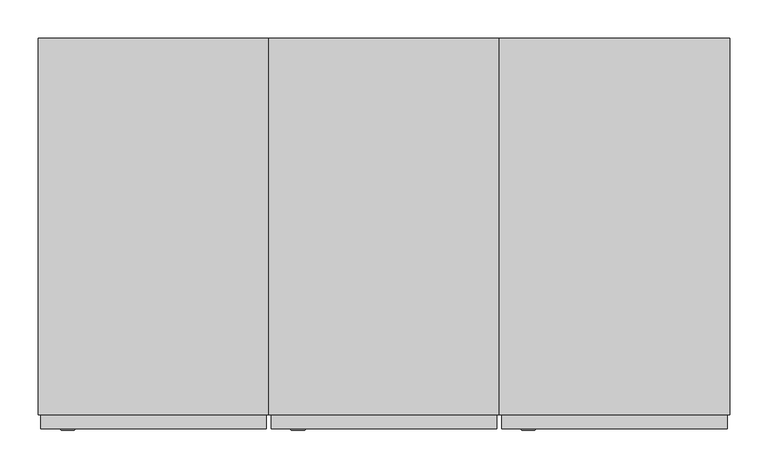
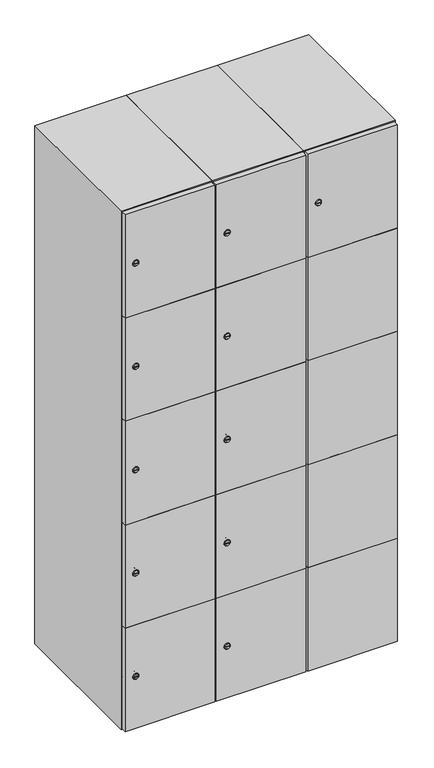
"""IFC4 building model written with IfcOpenShell, lengths in millimetres: furniture geometry."""

from ifc_helpers import new_model, si_unit, point, frame, frame_2d, origin, place, context, project, spatial, polyline, circle_curve, trimmed, segment, composite_curve, outline, extrude, faceted_brep, source, transform, mapped, element, save
from ifc_brep_helpers import plane_surface, revolved_surface, advanced_brep


def furniture_e9e4de97(model_context):
    return source(origin(), model_context, "Body", "SolidModel", [
        advanced_brep(
        [(446.5, -265.2, 1652.6), (429.5, -265.2, 1652.6), (433.0, -265.2, 1651.35), (433.0, -265.2, 1653.85), (443.0, -265.2, 1653.85), (443.0, -265.2, 1651.35), (448.5, -263.0, 1652.6), (427.5, -263.0, 1652.6), (433.0, -263.0, 1653.85), (433.0, -263.0, 1651.35), (443.0, -263.0, 1651.35), (443.0, -263.0, 1653.85)],
        [
            (0, 1, circle_curve(frame((438.0, -265.2, 1652.6), z_axis=(0.0, -1.0, 0.0), x_axis=(1.0, 0.0, 0.0)), 8.5)),
            (1, 0, circle_curve(frame((438.0, -265.2, 1652.6), z_axis=(0.0, -1.0, 0.0), x_axis=(-1.0, 0.0, 0.0)), 8.5)),
            (2, 3),
            (3, 4),
            (4, 5),
            (5, 2),
            (6, 7, circle_curve(frame((438.0, -263.0, 1652.6), z_axis=(0.0, 1.0, 0.0), x_axis=(-1.0, 0.0, 0.0)), 10.5)),
            (7, 6, circle_curve(frame((438.0, -263.0, 1652.6), z_axis=(0.0, 1.0, 0.0), x_axis=(1.0, 0.0, 0.0)), 10.5)),
            (8, 9),
            (9, 10),
            (10, 11),
            (11, 8),
            (0, 6),
            (7, 1),
            (8, 3),
            (2, 9),
            (11, 4),
            (10, 5),
        ],
        [
            plane_surface(frame((438.0, -265.2, 1652.6), z_axis=(0.0, -1.0, 0.0), x_axis=(0.0, 0.0, 1.0))),
            plane_surface(frame((438.0, -263.0, 1652.6), z_axis=(0.0, 1.0, 0.0), x_axis=(0.0, 0.0, 1.0))),
            revolved_surface(polyline([(446.5, -265.2, 1652.6), (448.5, -263.0, 1652.6)]), (438.0, -274.55, 1652.6), (0.0, 1.0, 0.0)),
            revolved_surface(polyline([(429.5, -265.2, 1652.6), (427.5, -263.0, 1652.6)]), (438.0, -274.55, 1652.6), (0.0, 1.0, 0.0)),
            plane_surface(frame((433.0, -263.0, 1651.35), z_axis=(1.0, 0.0, 0.0), x_axis=(0.0, -1.0, 0.0))),
            plane_surface(frame((433.0, -263.0, 1653.85), z_axis=(0.0, 0.0, -1.0), x_axis=(0.0, -1.0, 0.0))),
            plane_surface(frame((443.0, -263.0, 1653.85), z_axis=(-1.0, 0.0, 0.0), x_axis=(0.0, -1.0, 0.0))),
            plane_surface(frame((443.0, -263.0, 1651.35), z_axis=(0.0, 0.0, 1.0), x_axis=(0.0, -1.0, 0.0))),
        ],
        [
            (0, [[1, 2], [3, 4, 5, 6]]),
            (1, [[7, 8], [9, 10, 11, 12]]),
            (2, [[-1, 13, -8, 14]]),
            (3, [[-2, -14, -7, -13]]),
            (4, [[15, -3, 16, -9]]),
            (5, [[-15, -12, 17, -4]]),
            (6, [[-17, -11, 18, -5]]),
            (7, [[-16, -6, -18, -10]]),
        ],
    ),
        extrude(outline(polyline([(697.0, -245.0), (697.0, -263.0), (403.0, -263.0), (403.0, -245.0), (697.0, -245.0)])), frame((0.0, 0.0, 755.1), z_axis=(0.0, 0.0, 1.0), x_axis=(1.0, 0.0, 0.0)), (0.0, 0.0, 1.0), 359.8),
        extrude(outline(polyline([(697.0, -245.0), (697.0, -263.0), (403.0, -263.0), (403.0, -245.0), (697.0, -245.0)])), frame((0.0, 0.0, 396.3), z_axis=(0.0, 0.0, 1.0), x_axis=(1.0, 0.0, 0.0)), (0.0, 0.0, 1.0), 359.8),
        extrude(outline(polyline([(697.0, -245.0), (697.0, -263.0), (403.0, -263.0), (403.0, -245.0), (697.0, -245.0)])), frame((0.0, 0.0, 1113.9), z_axis=(0.0, 0.0, 1.0), x_axis=(1.0, 0.0, 0.0)), (0.0, 0.0, 1.0), 358.8),
        extrude(outline(polyline([(403.0, -263.0), (403.0, -245.0), (697.0, -245.0), (697.0, -263.0), (403.0, -263.0)])), frame((0.0, 0.0, 1473.7), z_axis=(0.0, 0.0, 1.0), x_axis=(1.0, 0.0, 0.0)), (0.0, 0.0, 1.0), 358.3),
        extrude(outline(polyline([(697.0, -245.0), (697.0, -263.0), (403.0, -263.0), (403.0, -245.0), (697.0, -245.0)])), frame((0.0, 0.0, 38.0), z_axis=(0.0, 0.0, 1.0), x_axis=(1.0, 0.0, 0.0)), (0.0, 0.0, 1.0), 359.3),
        extrude(outline(polyline([(679.6, 242.0), (679.6, -227.0), (420.4, -227.0), (420.4, 242.0), (679.6, 242.0)])), frame((0.0, 0.0, 1446.68), z_axis=(0.0, 0.0, 1.0), x_axis=(1.0, 0.0, 0.0)), (0.0, 0.0, 1.0), 20.4),
        extrude(outline(polyline([(679.6, 242.0), (679.6, -227.0), (420.4, -227.0), (420.4, 242.0), (679.6, 242.0)])), frame((0.0, 0.0, 1098.76), z_axis=(0.0, 0.0, 1.0), x_axis=(1.0, 0.0, 0.0)), (0.0, 0.0, 1.0), 20.4),
        extrude(outline(polyline([(679.6, 242.0), (679.6, -227.0), (420.4, -227.0), (420.4, 242.0), (679.6, 242.0)])), frame((0.0, 0.0, 750.84), z_axis=(0.0, 0.0, 1.0), x_axis=(1.0, 0.0, 0.0)), (0.0, 0.0, 1.0), 20.4),
        extrude(outline(polyline([(420.4, 242.0), (679.6, 242.0), (679.6, -227.0), (420.4, -227.0), (420.4, 242.0)])), frame((0.0, 0.0, 402.92), z_axis=(0.0, 0.0, 1.0), x_axis=(1.0, 0.0, 0.0)), (0.0, 0.0, 1.0), 20.4),
        faceted_brep([(700.0, -245.0, 35.0), (700.0, -245.0, 1835.0), (400.0, -245.0, 1835.0), (400.0, -245.0, 35.0), (679.6, -245.0, 1804.8), (679.6, -245.0, 65.2), (420.4, -245.0, 65.2), (420.4, -245.0, 1804.8), (700.0, 245.0, 35.0), (400.0, 245.0, 35.0), (700.0, 245.0, 1835.0), (400.0, 245.0, 1835.0), (679.6, 242.0, 1804.8), (679.6, 242.0, 65.2), (400.0, 245.0, 1804.8), (420.4, 242.0, 1804.8), (420.4, 242.0, 65.2)], [[[0, 1, 2, 3], [4, 5, 6, 7]], [[8, 0, 3, 9]], [[1, 0, 8, 10]], [[1, 10, 11, 2]], [[4, 12, 13, 5]], [[9, 3, 2, 11, 14]], [[10, 8, 9, 14, 11]], [[12, 15, 16, 13]], [[15, 7, 6, 16]], [[4, 7, 15, 12]], [[6, 5, 13, 16]]]),
        extrude(outline(composite_curve([segment(trimmed(circle_curve(frame_2d((217.4, 111.2010534)), 7.0), [point((224.4, 111.2010534))], [point((210.4, 111.2010534))], False, "CARTESIAN"), True, "CONTINUOUS"), segment(polyline([(210.4, 111.2010534), (210.4, 139.2010534)]), True, "CONTINUOUS"), segment(trimmed(circle_curve(frame_2d((217.4, 139.2010534)), 7.0), [point((210.4, 139.2010534))], [point((224.4, 139.2010534))], False, "CARTESIAN"), True, "CONTINUOUS"), segment(polyline([(224.4, 139.2010534), (224.4, 111.2010534)]), True, "CONTINUOUS")], self_intersect=False)), frame((0.0, -245.0, 0.0), z_axis=(0.0, 1.0, 0.0), x_axis=(0.0, 0.0, 1.0)), (0.0, 0.0, 1.0), 2.0),
        advanced_brep(
        [(146.5, -265.2, 217.4), (129.5, -265.2, 217.4), (133.0, -265.2, 216.15), (133.0, -265.2, 218.65), (143.0, -265.2, 218.65), (143.0, -265.2, 216.15), (148.5, -263.0, 217.4), (127.5, -263.0, 217.4), (133.0, -263.0, 218.65), (133.0, -263.0, 216.15), (143.0, -263.0, 216.15), (143.0, -263.0, 218.65)],
        [
            (0, 1, circle_curve(frame((138.0, -265.2, 217.4), z_axis=(0.0, -1.0, 0.0), x_axis=(1.0, 0.0, 0.0)), 8.5)),
            (1, 0, circle_curve(frame((138.0, -265.2, 217.4), z_axis=(0.0, -1.0, 0.0), x_axis=(-1.0, 0.0, 0.0)), 8.5)),
            (2, 3),
            (3, 4),
            (4, 5),
            (5, 2),
            (6, 7, circle_curve(frame((138.0, -263.0, 217.4), z_axis=(0.0, 1.0, 0.0), x_axis=(-1.0, 0.0, 0.0)), 10.5)),
            (7, 6, circle_curve(frame((138.0, -263.0, 217.4), z_axis=(0.0, 1.0, 0.0), x_axis=(1.0, 0.0, 0.0)), 10.5)),
            (8, 9),
            (9, 10),
            (10, 11),
            (11, 8),
            (0, 6),
            (7, 1),
            (8, 3),
            (2, 9),
            (11, 4),
            (10, 5),
        ],
        [
            plane_surface(frame((138.0, -265.2, 217.4), z_axis=(0.0, -1.0, 0.0), x_axis=(0.0, 0.0, 1.0))),
            plane_surface(frame((138.0, -263.0, 217.4), z_axis=(0.0, 1.0, 0.0), x_axis=(0.0, 0.0, 1.0))),
            revolved_surface(polyline([(146.5, -265.2, 217.4), (148.5, -263.0, 217.4)]), (138.0, -274.55, 217.4), (0.0, 1.0, 0.0)),
            revolved_surface(polyline([(129.5, -265.2, 217.4), (127.5, -263.0, 217.4)]), (138.0, -274.55, 217.4), (0.0, 1.0, 0.0)),
            plane_surface(frame((133.0, -263.0, 216.15), z_axis=(1.0, 0.0, 0.0), x_axis=(0.0, -1.0, 0.0))),
            plane_surface(frame((133.0, -263.0, 218.65), z_axis=(0.0, 0.0, -1.0), x_axis=(0.0, -1.0, 0.0))),
            plane_surface(frame((143.0, -263.0, 218.65), z_axis=(-1.0, 0.0, 0.0), x_axis=(0.0, -1.0, 0.0))),
            plane_surface(frame((143.0, -263.0, 216.15), z_axis=(0.0, 0.0, 1.0), x_axis=(0.0, -1.0, 0.0))),
        ],
        [
            (0, [[1, 2], [3, 4, 5, 6]]),
            (1, [[7, 8], [9, 10, 11, 12]]),
            (2, [[-1, 13, -8, 14]]),
            (3, [[-2, -14, -7, -13]]),
            (4, [[15, -3, 16, -9]]),
            (5, [[-15, -12, 17, -4]]),
            (6, [[-17, -11, 18, -5]]),
            (7, [[-16, -6, -18, -10]]),
        ],
    ),
        extrude(outline(composite_curve([segment(trimmed(circle_curve(frame_2d((576.2, 111.2010534)), 7.0), [point((583.2, 111.2010534))], [point((569.2, 111.2010534))], False, "CARTESIAN"), True, "CONTINUOUS"), segment(polyline([(569.2, 111.2010534), (569.2, 139.2010534)]), True, "CONTINUOUS"), segment(trimmed(circle_curve(frame_2d((576.2, 139.2010534)), 7.0), [point((569.2, 139.2010534))], [point((583.2, 139.2010534))], False, "CARTESIAN"), True, "CONTINUOUS"), segment(polyline([(583.2, 139.2010534), (583.2, 111.2010534)]), True, "CONTINUOUS")], self_intersect=False)), frame((0.0, -245.0, 0.0), z_axis=(0.0, 1.0, 0.0), x_axis=(0.0, 0.0, 1.0)), (0.0, 0.0, 1.0), 2.0),
        advanced_brep(
        [(146.5, -265.2, 576.2), (129.5, -265.2, 576.2), (133.0, -265.2, 574.95), (133.0, -265.2, 577.45), (143.0, -265.2, 577.45), (143.0, -265.2, 574.95), (148.5, -263.0, 576.2), (127.5, -263.0, 576.2), (133.0, -263.0, 577.45), (133.0, -263.0, 574.95), (143.0, -263.0, 574.95), (143.0, -263.0, 577.45)],
        [
            (0, 1, circle_curve(frame((138.0, -265.2, 576.2), z_axis=(0.0, -1.0, 0.0), x_axis=(1.0, 0.0, 0.0)), 8.5)),
            (1, 0, circle_curve(frame((138.0, -265.2, 576.2), z_axis=(0.0, -1.0, 0.0), x_axis=(-1.0, 0.0, 0.0)), 8.5)),
            (2, 3),
            (3, 4),
            (4, 5),
            (5, 2),
            (6, 7, circle_curve(frame((138.0, -263.0, 576.2), z_axis=(0.0, 1.0, 0.0), x_axis=(-1.0, 0.0, 0.0)), 10.5)),
            (7, 6, circle_curve(frame((138.0, -263.0, 576.2), z_axis=(0.0, 1.0, 0.0), x_axis=(1.0, 0.0, 0.0)), 10.5)),
            (8, 9),
            (9, 10),
            (10, 11),
            (11, 8),
            (0, 6),
            (7, 1),
            (8, 3),
            (2, 9),
            (11, 4),
            (10, 5),
        ],
        [
            plane_surface(frame((138.0, -265.2, 576.2), z_axis=(0.0, -1.0, 0.0), x_axis=(0.0, 0.0, 1.0))),
            plane_surface(frame((138.0, -263.0, 576.2), z_axis=(0.0, 1.0, 0.0), x_axis=(0.0, 0.0, 1.0))),
            revolved_surface(polyline([(146.5, -265.2, 576.2), (148.5, -263.0, 576.2)]), (138.0, -274.55, 576.2), (0.0, 1.0, 0.0)),
            revolved_surface(polyline([(129.5, -265.2, 576.2), (127.5, -263.0, 576.2)]), (138.0, -274.55, 576.2), (0.0, 1.0, 0.0)),
            plane_surface(frame((133.0, -263.0, 574.95), z_axis=(1.0, 0.0, 0.0), x_axis=(0.0, -1.0, 0.0))),
            plane_surface(frame((133.0, -263.0, 577.45), z_axis=(0.0, 0.0, -1.0), x_axis=(0.0, -1.0, 0.0))),
            plane_surface(frame((143.0, -263.0, 577.45), z_axis=(-1.0, 0.0, 0.0), x_axis=(0.0, -1.0, 0.0))),
            plane_surface(frame((143.0, -263.0, 574.95), z_axis=(0.0, 0.0, 1.0), x_axis=(0.0, -1.0, 0.0))),
        ],
        [
            (0, [[1, 2], [3, 4, 5, 6]]),
            (1, [[7, 8], [9, 10, 11, 12]]),
            (2, [[-1, 13, -8, 14]]),
            (3, [[-2, -14, -7, -13]]),
            (4, [[15, -3, 16, -9]]),
            (5, [[-15, -12, 17, -4]]),
            (6, [[-17, -11, 18, -5]]),
            (7, [[-16, -6, -18, -10]]),
        ],
    ),
        extrude(outline(composite_curve([segment(trimmed(circle_curve(frame_2d((935.0, 111.2010534)), 7.0), [point((942.0, 111.2010534))], [point((928.0, 111.2010534))], False, "CARTESIAN"), True, "CONTINUOUS"), segment(polyline([(928.0, 111.2010534), (928.0, 139.2010534)]), True, "CONTINUOUS"), segment(trimmed(circle_curve(frame_2d((935.0, 139.2010534)), 7.0), [point((928.0, 139.2010534))], [point((942.0, 139.2010534))], False, "CARTESIAN"), True, "CONTINUOUS"), segment(polyline([(942.0, 139.2010534), (942.0, 111.2010534)]), True, "CONTINUOUS")], self_intersect=False)), frame((0.0, -245.0, 0.0), z_axis=(0.0, 1.0, 0.0), x_axis=(0.0, 0.0, 1.0)), (0.0, 0.0, 1.0), 2.0),
        advanced_brep(
        [(146.5, -265.2, 935.0), (129.5, -265.2, 935.0), (133.0, -265.2, 933.75), (133.0, -265.2, 936.25), (143.0, -265.2, 936.25), (143.0, -265.2, 933.75), (148.5, -263.0, 935.0), (127.5, -263.0, 935.0), (133.0, -263.0, 936.25), (133.0, -263.0, 933.75), (143.0, -263.0, 933.75), (143.0, -263.0, 936.25)],
        [
            (0, 1, circle_curve(frame((138.0, -265.2, 935.0), z_axis=(0.0, -1.0, 0.0), x_axis=(1.0, 0.0, 0.0)), 8.5)),
            (1, 0, circle_curve(frame((138.0, -265.2, 935.0), z_axis=(0.0, -1.0, 0.0), x_axis=(-1.0, 0.0, 0.0)), 8.5)),
            (2, 3),
            (3, 4),
            (4, 5),
            (5, 2),
            (6, 7, circle_curve(frame((138.0, -263.0, 935.0), z_axis=(0.0, 1.0, 0.0), x_axis=(-1.0, 0.0, 0.0)), 10.5)),
            (7, 6, circle_curve(frame((138.0, -263.0, 935.0), z_axis=(0.0, 1.0, 0.0), x_axis=(1.0, 0.0, 0.0)), 10.5)),
            (8, 9),
            (9, 10),
            (10, 11),
            (11, 8),
            (0, 6),
            (7, 1),
            (8, 3),
            (2, 9),
            (11, 4),
            (10, 5),
        ],
        [
            plane_surface(frame((138.0, -265.2, 935.0), z_axis=(0.0, -1.0, 0.0), x_axis=(0.0, 0.0, 1.0))),
            plane_surface(frame((138.0, -263.0, 935.0), z_axis=(0.0, 1.0, 0.0), x_axis=(0.0, 0.0, 1.0))),
            revolved_surface(polyline([(146.5, -265.2, 935.0), (148.5, -263.0, 935.0)]), (138.0, -274.55, 935.0), (0.0, 1.0, 0.0)),
            revolved_surface(polyline([(129.5, -265.2, 935.0), (127.5, -263.0, 935.0)]), (138.0, -274.55, 935.0), (0.0, 1.0, 0.0)),
            plane_surface(frame((133.0, -263.0, 933.75), z_axis=(1.0, 0.0, 0.0), x_axis=(0.0, -1.0, 0.0))),
            plane_surface(frame((133.0, -263.0, 936.25), z_axis=(0.0, 0.0, -1.0), x_axis=(0.0, -1.0, 0.0))),
            plane_surface(frame((143.0, -263.0, 936.25), z_axis=(-1.0, 0.0, 0.0), x_axis=(0.0, -1.0, 0.0))),
            plane_surface(frame((143.0, -263.0, 933.75), z_axis=(0.0, 0.0, 1.0), x_axis=(0.0, -1.0, 0.0))),
        ],
        [
            (0, [[1, 2], [3, 4, 5, 6]]),
            (1, [[7, 8], [9, 10, 11, 12]]),
            (2, [[-1, 13, -8, 14]]),
            (3, [[-2, -14, -7, -13]]),
            (4, [[15, -3, 16, -9]]),
            (5, [[-15, -12, 17, -4]]),
            (6, [[-17, -11, 18, -5]]),
            (7, [[-16, -6, -18, -10]]),
        ],
    ),
        extrude(outline(composite_curve([segment(trimmed(circle_curve(frame_2d((1293.8, 111.2010534)), 7.0), [point((1300.8, 111.2010534))], [point((1286.8, 111.2010534))], False, "CARTESIAN"), True, "CONTINUOUS"), segment(polyline([(1286.8, 111.2010534), (1286.8, 139.2010534)]), True, "CONTINUOUS"), segment(trimmed(circle_curve(frame_2d((1293.8, 139.2010534)), 7.0), [point((1286.8, 139.2010534))], [point((1300.8, 139.2010534))], False, "CARTESIAN"), True, "CONTINUOUS"), segment(polyline([(1300.8, 139.2010534), (1300.8, 111.2010534)]), True, "CONTINUOUS")], self_intersect=False)), frame((0.0, -245.0, 0.0), z_axis=(0.0, 1.0, 0.0), x_axis=(0.0, 0.0, 1.0)), (0.0, 0.0, 1.0), 2.0),
        advanced_brep(
        [(146.5, -265.2, 1293.8), (129.5, -265.2, 1293.8), (133.0, -265.2, 1292.55), (133.0, -265.2, 1295.05), (143.0, -265.2, 1295.05), (143.0, -265.2, 1292.55), (148.5, -263.0, 1293.8), (127.5, -263.0, 1293.8), (133.0, -263.0, 1295.05), (133.0, -263.0, 1292.55), (143.0, -263.0, 1292.55), (143.0, -263.0, 1295.05)],
        [
            (0, 1, circle_curve(frame((138.0, -265.2, 1293.8), z_axis=(0.0, -1.0, 0.0), x_axis=(1.0, 0.0, 0.0)), 8.5)),
            (1, 0, circle_curve(frame((138.0, -265.2, 1293.8), z_axis=(0.0, -1.0, 0.0), x_axis=(-1.0, 0.0, 0.0)), 8.5)),
            (2, 3),
            (3, 4),
            (4, 5),
            (5, 2),
            (6, 7, circle_curve(frame((138.0, -263.0, 1293.8), z_axis=(0.0, 1.0, 0.0), x_axis=(-1.0, 0.0, 0.0)), 10.5)),
            (7, 6, circle_curve(frame((138.0, -263.0, 1293.8), z_axis=(0.0, 1.0, 0.0), x_axis=(1.0, 0.0, 0.0)), 10.5)),
            (8, 9),
            (9, 10),
            (10, 11),
            (11, 8),
            (0, 6),
            (7, 1),
            (8, 3),
            (2, 9),
            (11, 4),
            (10, 5),
        ],
        [
            plane_surface(frame((138.0, -265.2, 1293.8), z_axis=(0.0, -1.0, 0.0), x_axis=(0.0, 0.0, 1.0))),
            plane_surface(frame((138.0, -263.0, 1293.8), z_axis=(0.0, 1.0, 0.0), x_axis=(0.0, 0.0, 1.0))),
            revolved_surface(polyline([(146.5, -265.2, 1293.8), (148.5, -263.0, 1293.8)]), (138.0, -274.55, 1293.8), (0.0, 1.0, 0.0)),
            revolved_surface(polyline([(129.5, -265.2, 1293.8), (127.5, -263.0, 1293.8)]), (138.0, -274.55, 1293.8), (0.0, 1.0, 0.0)),
            plane_surface(frame((133.0, -263.0, 1292.55), z_axis=(1.0, 0.0, 0.0), x_axis=(0.0, -1.0, 0.0))),
            plane_surface(frame((133.0, -263.0, 1295.05), z_axis=(0.0, 0.0, -1.0), x_axis=(0.0, -1.0, 0.0))),
            plane_surface(frame((143.0, -263.0, 1295.05), z_axis=(-1.0, 0.0, 0.0), x_axis=(0.0, -1.0, 0.0))),
            plane_surface(frame((143.0, -263.0, 1292.55), z_axis=(0.0, 0.0, 1.0), x_axis=(0.0, -1.0, 0.0))),
        ],
        [
            (0, [[1, 2], [3, 4, 5, 6]]),
            (1, [[7, 8], [9, 10, 11, 12]]),
            (2, [[-1, 13, -8, 14]]),
            (3, [[-2, -14, -7, -13]]),
            (4, [[15, -3, 16, -9]]),
            (5, [[-15, -12, 17, -4]]),
            (6, [[-17, -11, 18, -5]]),
            (7, [[-16, -6, -18, -10]]),
        ],
    ),
        extrude(outline(composite_curve([segment(trimmed(circle_curve(frame_2d((1652.6, 111.2010534)), 7.0), [point((1659.6, 111.2010534))], [point((1645.6, 111.2010534))], False, "CARTESIAN"), True, "CONTINUOUS"), segment(polyline([(1645.6, 111.2010534), (1645.6, 139.2010534)]), True, "CONTINUOUS"), segment(trimmed(circle_curve(frame_2d((1652.6, 139.2010534)), 7.0), [point((1645.6, 139.2010534))], [point((1659.6, 139.2010534))], False, "CARTESIAN"), True, "CONTINUOUS"), segment(polyline([(1659.6, 139.2010534), (1659.6, 111.2010534)]), True, "CONTINUOUS")], self_intersect=False)), frame((0.0, -245.0, 0.0), z_axis=(0.0, 1.0, 0.0), x_axis=(0.0, 0.0, 1.0)), (0.0, 0.0, 1.0), 2.0),
        advanced_brep(
        [(146.5, -265.2, 1652.6), (129.5, -265.2, 1652.6), (133.0, -265.2, 1651.35), (133.0, -265.2, 1653.85), (143.0, -265.2, 1653.85), (143.0, -265.2, 1651.35), (148.5, -263.0, 1652.6), (127.5, -263.0, 1652.6), (133.0, -263.0, 1653.85), (133.0, -263.0, 1651.35), (143.0, -263.0, 1651.35), (143.0, -263.0, 1653.85)],
        [
            (0, 1, circle_curve(frame((138.0, -265.2, 1652.6), z_axis=(0.0, -1.0, 0.0), x_axis=(1.0, 0.0, 0.0)), 8.5)),
            (1, 0, circle_curve(frame((138.0, -265.2, 1652.6), z_axis=(0.0, -1.0, 0.0), x_axis=(-1.0, 0.0, 0.0)), 8.5)),
            (2, 3),
            (3, 4),
            (4, 5),
            (5, 2),
            (6, 7, circle_curve(frame((138.0, -263.0, 1652.6), z_axis=(0.0, 1.0, 0.0), x_axis=(-1.0, 0.0, 0.0)), 10.5)),
            (7, 6, circle_curve(frame((138.0, -263.0, 1652.6), z_axis=(0.0, 1.0, 0.0), x_axis=(1.0, 0.0, 0.0)), 10.5)),
            (8, 9),
            (9, 10),
            (10, 11),
            (11, 8),
            (0, 6),
            (7, 1),
            (8, 3),
            (2, 9),
            (11, 4),
            (10, 5),
        ],
        [
            plane_surface(frame((138.0, -265.2, 1652.6), z_axis=(0.0, -1.0, 0.0), x_axis=(0.0, 0.0, 1.0))),
            plane_surface(frame((138.0, -263.0, 1652.6), z_axis=(0.0, 1.0, 0.0), x_axis=(0.0, 0.0, 1.0))),
            revolved_surface(polyline([(146.5, -265.2, 1652.6), (148.5, -263.0, 1652.6)]), (138.0, -274.55, 1652.6), (0.0, 1.0, 0.0)),
            revolved_surface(polyline([(129.5, -265.2, 1652.6), (127.5, -263.0, 1652.6)]), (138.0, -274.55, 1652.6), (0.0, 1.0, 0.0)),
            plane_surface(frame((133.0, -263.0, 1651.35), z_axis=(1.0, 0.0, 0.0), x_axis=(0.0, -1.0, 0.0))),
            plane_surface(frame((133.0, -263.0, 1653.85), z_axis=(0.0, 0.0, -1.0), x_axis=(0.0, -1.0, 0.0))),
            plane_surface(frame((143.0, -263.0, 1653.85), z_axis=(-1.0, 0.0, 0.0), x_axis=(0.0, -1.0, 0.0))),
            plane_surface(frame((143.0, -263.0, 1651.35), z_axis=(0.0, 0.0, 1.0), x_axis=(0.0, -1.0, 0.0))),
        ],
        [
            (0, [[1, 2], [3, 4, 5, 6]]),
            (1, [[7, 8], [9, 10, 11, 12]]),
            (2, [[-1, 13, -8, 14]]),
            (3, [[-2, -14, -7, -13]]),
            (4, [[15, -3, 16, -9]]),
            (5, [[-15, -12, 17, -4]]),
            (6, [[-17, -11, 18, -5]]),
            (7, [[-16, -6, -18, -10]]),
        ],
    ),
        extrude(outline(polyline([(397.0, -245.0), (397.0, -263.0), (103.0, -263.0), (103.0, -245.0), (397.0, -245.0)])), frame((0.0, 0.0, 755.1), z_axis=(0.0, 0.0, 1.0), x_axis=(1.0, 0.0, 0.0)), (0.0, 0.0, 1.0), 359.8),
        extrude(outline(polyline([(397.0, -245.0), (397.0, -263.0), (103.0, -263.0), (103.0, -245.0), (397.0, -245.0)])), frame((0.0, 0.0, 396.3), z_axis=(0.0, 0.0, 1.0), x_axis=(1.0, 0.0, 0.0)), (0.0, 0.0, 1.0), 359.8),
        extrude(outline(polyline([(397.0, -245.0), (397.0, -263.0), (103.0, -263.0), (103.0, -245.0), (397.0, -245.0)])), frame((0.0, 0.0, 1113.9), z_axis=(0.0, 0.0, 1.0), x_axis=(1.0, 0.0, 0.0)), (0.0, 0.0, 1.0), 358.8),
        extrude(outline(polyline([(103.0, -263.0), (103.0, -245.0), (397.0, -245.0), (397.0, -263.0), (103.0, -263.0)])), frame((0.0, 0.0, 1473.7), z_axis=(0.0, 0.0, 1.0), x_axis=(1.0, 0.0, 0.0)), (0.0, 0.0, 1.0), 358.3),
        extrude(outline(polyline([(397.0, -245.0), (397.0, -263.0), (103.0, -263.0), (103.0, -245.0), (397.0, -245.0)])), frame((0.0, 0.0, 38.0), z_axis=(0.0, 0.0, 1.0), x_axis=(1.0, 0.0, 0.0)), (0.0, 0.0, 1.0), 359.3),
        extrude(outline(polyline([(379.6, 242.0), (379.6, -227.0), (120.4, -227.0), (120.4, 242.0), (379.6, 242.0)])), frame((0.0, 0.0, 1446.68), z_axis=(0.0, 0.0, 1.0), x_axis=(1.0, 0.0, 0.0)), (0.0, 0.0, 1.0), 20.4),
        extrude(outline(polyline([(379.6, 242.0), (379.6, -227.0), (120.4, -227.0), (120.4, 242.0), (379.6, 242.0)])), frame((0.0, 0.0, 1098.76), z_axis=(0.0, 0.0, 1.0), x_axis=(1.0, 0.0, 0.0)), (0.0, 0.0, 1.0), 20.4),
        extrude(outline(polyline([(379.6, 242.0), (379.6, -227.0), (120.4, -227.0), (120.4, 242.0), (379.6, 242.0)])), frame((0.0, 0.0, 750.84), z_axis=(0.0, 0.0, 1.0), x_axis=(1.0, 0.0, 0.0)), (0.0, 0.0, 1.0), 20.4),
        extrude(outline(polyline([(120.4, 242.0), (379.6, 242.0), (379.6, -227.0), (120.4, -227.0), (120.4, 242.0)])), frame((0.0, 0.0, 402.92), z_axis=(0.0, 0.0, 1.0), x_axis=(1.0, 0.0, 0.0)), (0.0, 0.0, 1.0), 20.4),
        faceted_brep([(400.0, -245.0, 35.0), (400.0, -245.0, 1835.0), (100.0, -245.0, 1835.0), (100.0, -245.0, 35.0), (379.6, -245.0, 1804.8), (379.6, -245.0, 65.2), (120.4, -245.0, 65.2), (120.4, -245.0, 1804.8), (400.0, 245.0, 35.0), (100.0, 245.0, 35.0), (400.0, 245.0, 1835.0), (100.0, 245.0, 1835.0), (379.6, 242.0, 1804.8), (379.6, 242.0, 65.2), (100.0, 245.0, 1804.8), (120.4, 242.0, 1804.8), (120.4, 242.0, 65.2)], [[[0, 1, 2, 3], [4, 5, 6, 7]], [[8, 0, 3, 9]], [[1, 0, 8, 10]], [[1, 10, 11, 2]], [[4, 12, 13, 5]], [[9, 3, 2, 11, 14]], [[10, 8, 9, 14, 11]], [[12, 15, 16, 13]], [[15, 7, 6, 16]], [[4, 7, 15, 12]], [[6, 5, 13, 16]]]),
        extrude(outline(composite_curve([segment(trimmed(circle_curve(frame_2d((217.4, -188.7989466)), 7.0), [point((224.4, -188.7989466))], [point((210.4, -188.7989466))], False, "CARTESIAN"), True, "CONTINUOUS"), segment(polyline([(210.4, -188.7989466), (210.4, -160.7989466)]), True, "CONTINUOUS"), segment(trimmed(circle_curve(frame_2d((217.4, -160.7989466)), 7.0), [point((210.4, -160.7989466))], [point((224.4, -160.7989466))], False, "CARTESIAN"), True, "CONTINUOUS"), segment(polyline([(224.4, -160.7989466), (224.4, -188.7989466)]), True, "CONTINUOUS")], self_intersect=False)), frame((0.0, -245.0, 0.0), z_axis=(0.0, 1.0, 0.0), x_axis=(0.0, 0.0, 1.0)), (0.0, 0.0, 1.0), 2.0),
        advanced_brep(
        [(-153.5, -265.2, 217.4), (-170.5, -265.2, 217.4), (-167.0, -265.2, 216.15), (-167.0, -265.2, 218.65), (-157.0, -265.2, 218.65), (-157.0, -265.2, 216.15), (-151.5, -263.0, 217.4), (-172.5, -263.0, 217.4), (-167.0, -263.0, 218.65), (-167.0, -263.0, 216.15), (-157.0, -263.0, 216.15), (-157.0, -263.0, 218.65)],
        [
            (0, 1, circle_curve(frame((-162.0, -265.2, 217.4), z_axis=(0.0, -1.0, 0.0), x_axis=(1.0, 0.0, 0.0)), 8.5)),
            (1, 0, circle_curve(frame((-162.0, -265.2, 217.4), z_axis=(0.0, -1.0, 0.0), x_axis=(-1.0, 0.0, 0.0)), 8.5)),
            (2, 3),
            (3, 4),
            (4, 5),
            (5, 2),
            (6, 7, circle_curve(frame((-162.0, -263.0, 217.4), z_axis=(0.0, 1.0, 0.0), x_axis=(-1.0, 0.0, 0.0)), 10.5)),
            (7, 6, circle_curve(frame((-162.0, -263.0, 217.4), z_axis=(0.0, 1.0, 0.0), x_axis=(1.0, 0.0, 0.0)), 10.5)),
            (8, 9),
            (9, 10),
            (10, 11),
            (11, 8),
            (0, 6),
            (7, 1),
            (8, 3),
            (2, 9),
            (11, 4),
            (10, 5),
        ],
        [
            plane_surface(frame((-162.0, -265.2, 217.4), z_axis=(0.0, -1.0, 0.0), x_axis=(0.0, 0.0, 1.0))),
            plane_surface(frame((-162.0, -263.0, 217.4), z_axis=(0.0, 1.0, 0.0), x_axis=(0.0, 0.0, 1.0))),
            revolved_surface(polyline([(-153.5, -265.2, 217.4), (-151.5, -263.0, 217.4)]), (-162.0, -274.55, 217.4), (0.0, 1.0, 0.0)),
            revolved_surface(polyline([(-170.5, -265.2, 217.4), (-172.5, -263.0, 217.4)]), (-162.0, -274.55, 217.4), (0.0, 1.0, 0.0)),
            plane_surface(frame((-167.0, -263.0, 216.15), z_axis=(1.0, 0.0, 0.0), x_axis=(0.0, -1.0, 0.0))),
            plane_surface(frame((-167.0, -263.0, 218.65), z_axis=(0.0, 0.0, -1.0), x_axis=(0.0, -1.0, 0.0))),
            plane_surface(frame((-157.0, -263.0, 218.65), z_axis=(-1.0, 0.0, 0.0), x_axis=(0.0, -1.0, 0.0))),
            plane_surface(frame((-157.0, -263.0, 216.15), z_axis=(0.0, 0.0, 1.0), x_axis=(0.0, -1.0, 0.0))),
        ],
        [
            (0, [[1, 2], [3, 4, 5, 6]]),
            (1, [[7, 8], [9, 10, 11, 12]]),
            (2, [[-1, 13, -8, 14]]),
            (3, [[-2, -14, -7, -13]]),
            (4, [[15, -3, 16, -9]]),
            (5, [[-15, -12, 17, -4]]),
            (6, [[-17, -11, 18, -5]]),
            (7, [[-16, -6, -18, -10]]),
        ],
    ),
        extrude(outline(composite_curve([segment(trimmed(circle_curve(frame_2d((576.2, -188.7989466)), 7.0), [point((583.2, -188.7989466))], [point((569.2, -188.7989466))], False, "CARTESIAN"), True, "CONTINUOUS"), segment(polyline([(569.2, -188.7989466), (569.2, -160.7989466)]), True, "CONTINUOUS"), segment(trimmed(circle_curve(frame_2d((576.2, -160.7989466)), 7.0), [point((569.2, -160.7989466))], [point((583.2, -160.7989466))], False, "CARTESIAN"), True, "CONTINUOUS"), segment(polyline([(583.2, -160.7989466), (583.2, -188.7989466)]), True, "CONTINUOUS")], self_intersect=False)), frame((0.0, -245.0, 0.0), z_axis=(0.0, 1.0, 0.0), x_axis=(0.0, 0.0, 1.0)), (0.0, 0.0, 1.0), 2.0),
        advanced_brep(
        [(-153.5, -265.2, 576.2), (-170.5, -265.2, 576.2), (-167.0, -265.2, 574.95), (-167.0, -265.2, 577.45), (-157.0, -265.2, 577.45), (-157.0, -265.2, 574.95), (-151.5, -263.0, 576.2), (-172.5, -263.0, 576.2), (-167.0, -263.0, 577.45), (-167.0, -263.0, 574.95), (-157.0, -263.0, 574.95), (-157.0, -263.0, 577.45)],
        [
            (0, 1, circle_curve(frame((-162.0, -265.2, 576.2), z_axis=(0.0, -1.0, 0.0), x_axis=(1.0, 0.0, 0.0)), 8.5)),
            (1, 0, circle_curve(frame((-162.0, -265.2, 576.2), z_axis=(0.0, -1.0, 0.0), x_axis=(-1.0, 0.0, 0.0)), 8.5)),
            (2, 3),
            (3, 4),
            (4, 5),
            (5, 2),
            (6, 7, circle_curve(frame((-162.0, -263.0, 576.2), z_axis=(0.0, 1.0, 0.0), x_axis=(-1.0, 0.0, 0.0)), 10.5)),
            (7, 6, circle_curve(frame((-162.0, -263.0, 576.2), z_axis=(0.0, 1.0, 0.0), x_axis=(1.0, 0.0, 0.0)), 10.5)),
            (8, 9),
            (9, 10),
            (10, 11),
            (11, 8),
            (0, 6),
            (7, 1),
            (8, 3),
            (2, 9),
            (11, 4),
            (10, 5),
        ],
        [
            plane_surface(frame((-162.0, -265.2, 576.2), z_axis=(0.0, -1.0, 0.0), x_axis=(0.0, 0.0, 1.0))),
            plane_surface(frame((-162.0, -263.0, 576.2), z_axis=(0.0, 1.0, 0.0), x_axis=(0.0, 0.0, 1.0))),
            revolved_surface(polyline([(-153.5, -265.2, 576.2), (-151.5, -263.0, 576.2)]), (-162.0, -274.55, 576.2), (0.0, 1.0, 0.0)),
            revolved_surface(polyline([(-170.5, -265.2, 576.2), (-172.5, -263.0, 576.2)]), (-162.0, -274.55, 576.2), (0.0, 1.0, 0.0)),
            plane_surface(frame((-167.0, -263.0, 574.95), z_axis=(1.0, 0.0, 0.0), x_axis=(0.0, -1.0, 0.0))),
            plane_surface(frame((-167.0, -263.0, 577.45), z_axis=(0.0, 0.0, -1.0), x_axis=(0.0, -1.0, 0.0))),
            plane_surface(frame((-157.0, -263.0, 577.45), z_axis=(-1.0, 0.0, 0.0), x_axis=(0.0, -1.0, 0.0))),
            plane_surface(frame((-157.0, -263.0, 574.95), z_axis=(0.0, 0.0, 1.0), x_axis=(0.0, -1.0, 0.0))),
        ],
        [
            (0, [[1, 2], [3, 4, 5, 6]]),
            (1, [[7, 8], [9, 10, 11, 12]]),
            (2, [[-1, 13, -8, 14]]),
            (3, [[-2, -14, -7, -13]]),
            (4, [[15, -3, 16, -9]]),
            (5, [[-15, -12, 17, -4]]),
            (6, [[-17, -11, 18, -5]]),
            (7, [[-16, -6, -18, -10]]),
        ],
    ),
        extrude(outline(composite_curve([segment(trimmed(circle_curve(frame_2d((935.0, -188.7989466)), 7.0), [point((942.0, -188.7989466))], [point((928.0, -188.7989466))], False, "CARTESIAN"), True, "CONTINUOUS"), segment(polyline([(928.0, -188.7989466), (928.0, -160.7989466)]), True, "CONTINUOUS"), segment(trimmed(circle_curve(frame_2d((935.0, -160.7989466)), 7.0), [point((928.0, -160.7989466))], [point((942.0, -160.7989466))], False, "CARTESIAN"), True, "CONTINUOUS"), segment(polyline([(942.0, -160.7989466), (942.0, -188.7989466)]), True, "CONTINUOUS")], self_intersect=False)), frame((0.0, -245.0, 0.0), z_axis=(0.0, 1.0, 0.0), x_axis=(0.0, 0.0, 1.0)), (0.0, 0.0, 1.0), 2.0),
        advanced_brep(
        [(-153.5, -265.2, 935.0), (-170.5, -265.2, 935.0), (-167.0, -265.2, 933.75), (-167.0, -265.2, 936.25), (-157.0, -265.2, 936.25), (-157.0, -265.2, 933.75), (-151.5, -263.0, 935.0), (-172.5, -263.0, 935.0), (-167.0, -263.0, 936.25), (-167.0, -263.0, 933.75), (-157.0, -263.0, 933.75), (-157.0, -263.0, 936.25)],
        [
            (0, 1, circle_curve(frame((-162.0, -265.2, 935.0), z_axis=(0.0, -1.0, 0.0), x_axis=(1.0, 0.0, 0.0)), 8.5)),
            (1, 0, circle_curve(frame((-162.0, -265.2, 935.0), z_axis=(0.0, -1.0, 0.0), x_axis=(-1.0, 0.0, 0.0)), 8.5)),
            (2, 3),
            (3, 4),
            (4, 5),
            (5, 2),
            (6, 7, circle_curve(frame((-162.0, -263.0, 935.0), z_axis=(0.0, 1.0, 0.0), x_axis=(-1.0, 0.0, 0.0)), 10.5)),
            (7, 6, circle_curve(frame((-162.0, -263.0, 935.0), z_axis=(0.0, 1.0, 0.0), x_axis=(1.0, 0.0, 0.0)), 10.5)),
            (8, 9),
            (9, 10),
            (10, 11),
            (11, 8),
            (0, 6),
            (7, 1),
            (8, 3),
            (2, 9),
            (11, 4),
            (10, 5),
        ],
        [
            plane_surface(frame((-162.0, -265.2, 935.0), z_axis=(0.0, -1.0, 0.0), x_axis=(0.0, 0.0, 1.0))),
            plane_surface(frame((-162.0, -263.0, 935.0), z_axis=(0.0, 1.0, 0.0), x_axis=(0.0, 0.0, 1.0))),
            revolved_surface(polyline([(-153.5, -265.2, 935.0), (-151.5, -263.0, 935.0)]), (-162.0, -274.55, 935.0), (0.0, 1.0, 0.0)),
            revolved_surface(polyline([(-170.5, -265.2, 935.0), (-172.5, -263.0, 935.0)]), (-162.0, -274.55, 935.0), (0.0, 1.0, 0.0)),
            plane_surface(frame((-167.0, -263.0, 933.75), z_axis=(1.0, 0.0, 0.0), x_axis=(0.0, -1.0, 0.0))),
            plane_surface(frame((-167.0, -263.0, 936.25), z_axis=(0.0, 0.0, -1.0), x_axis=(0.0, -1.0, 0.0))),
            plane_surface(frame((-157.0, -263.0, 936.25), z_axis=(-1.0, 0.0, 0.0), x_axis=(0.0, -1.0, 0.0))),
            plane_surface(frame((-157.0, -263.0, 933.75), z_axis=(0.0, 0.0, 1.0), x_axis=(0.0, -1.0, 0.0))),
        ],
        [
            (0, [[1, 2], [3, 4, 5, 6]]),
            (1, [[7, 8], [9, 10, 11, 12]]),
            (2, [[-1, 13, -8, 14]]),
            (3, [[-2, -14, -7, -13]]),
            (4, [[15, -3, 16, -9]]),
            (5, [[-15, -12, 17, -4]]),
            (6, [[-17, -11, 18, -5]]),
            (7, [[-16, -6, -18, -10]]),
        ],
    ),
        extrude(outline(composite_curve([segment(trimmed(circle_curve(frame_2d((1293.8, -188.7989466)), 7.0), [point((1300.8, -188.7989466))], [point((1286.8, -188.7989466))], False, "CARTESIAN"), True, "CONTINUOUS"), segment(polyline([(1286.8, -188.7989466), (1286.8, -160.7989466)]), True, "CONTINUOUS"), segment(trimmed(circle_curve(frame_2d((1293.8, -160.7989466)), 7.0), [point((1286.8, -160.7989466))], [point((1300.8, -160.7989466))], False, "CARTESIAN"), True, "CONTINUOUS"), segment(polyline([(1300.8, -160.7989466), (1300.8, -188.7989466)]), True, "CONTINUOUS")], self_intersect=False)), frame((0.0, -245.0, 0.0), z_axis=(0.0, 1.0, 0.0), x_axis=(0.0, 0.0, 1.0)), (0.0, 0.0, 1.0), 2.0),
        advanced_brep(
        [(-153.5, -265.2, 1293.8), (-170.5, -265.2, 1293.8), (-167.0, -265.2, 1292.55), (-167.0, -265.2, 1295.05), (-157.0, -265.2, 1295.05), (-157.0, -265.2, 1292.55), (-151.5, -263.0, 1293.8), (-172.5, -263.0, 1293.8), (-167.0, -263.0, 1295.05), (-167.0, -263.0, 1292.55), (-157.0, -263.0, 1292.55), (-157.0, -263.0, 1295.05)],
        [
            (0, 1, circle_curve(frame((-162.0, -265.2, 1293.8), z_axis=(0.0, -1.0, 0.0), x_axis=(1.0, 0.0, 0.0)), 8.5)),
            (1, 0, circle_curve(frame((-162.0, -265.2, 1293.8), z_axis=(0.0, -1.0, 0.0), x_axis=(-1.0, 0.0, 0.0)), 8.5)),
            (2, 3),
            (3, 4),
            (4, 5),
            (5, 2),
            (6, 7, circle_curve(frame((-162.0, -263.0, 1293.8), z_axis=(0.0, 1.0, 0.0), x_axis=(-1.0, 0.0, 0.0)), 10.5)),
            (7, 6, circle_curve(frame((-162.0, -263.0, 1293.8), z_axis=(0.0, 1.0, 0.0), x_axis=(1.0, 0.0, 0.0)), 10.5)),
            (8, 9),
            (9, 10),
            (10, 11),
            (11, 8),
            (0, 6),
            (7, 1),
            (8, 3),
            (2, 9),
            (11, 4),
            (10, 5),
        ],
        [
            plane_surface(frame((-162.0, -265.2, 1293.8), z_axis=(0.0, -1.0, 0.0), x_axis=(0.0, 0.0, 1.0))),
            plane_surface(frame((-162.0, -263.0, 1293.8), z_axis=(0.0, 1.0, 0.0), x_axis=(0.0, 0.0, 1.0))),
            revolved_surface(polyline([(-153.5, -265.2, 1293.8), (-151.5, -263.0, 1293.8)]), (-162.0, -274.55, 1293.8), (0.0, 1.0, 0.0)),
            revolved_surface(polyline([(-170.5, -265.2, 1293.8), (-172.5, -263.0, 1293.8)]), (-162.0, -274.55, 1293.8), (0.0, 1.0, 0.0)),
            plane_surface(frame((-167.0, -263.0, 1292.55), z_axis=(1.0, 0.0, 0.0), x_axis=(0.0, -1.0, 0.0))),
            plane_surface(frame((-167.0, -263.0, 1295.05), z_axis=(0.0, 0.0, -1.0), x_axis=(0.0, -1.0, 0.0))),
            plane_surface(frame((-157.0, -263.0, 1295.05), z_axis=(-1.0, 0.0, 0.0), x_axis=(0.0, -1.0, 0.0))),
            plane_surface(frame((-157.0, -263.0, 1292.55), z_axis=(0.0, 0.0, 1.0), x_axis=(0.0, -1.0, 0.0))),
        ],
        [
            (0, [[1, 2], [3, 4, 5, 6]]),
            (1, [[7, 8], [9, 10, 11, 12]]),
            (2, [[-1, 13, -8, 14]]),
            (3, [[-2, -14, -7, -13]]),
            (4, [[15, -3, 16, -9]]),
            (5, [[-15, -12, 17, -4]]),
            (6, [[-17, -11, 18, -5]]),
            (7, [[-16, -6, -18, -10]]),
        ],
    ),
        extrude(outline(composite_curve([segment(trimmed(circle_curve(frame_2d((1652.6, -188.7989466)), 7.0), [point((1659.6, -188.7989466))], [point((1645.6, -188.7989466))], False, "CARTESIAN"), True, "CONTINUOUS"), segment(polyline([(1645.6, -188.7989466), (1645.6, -160.7989466)]), True, "CONTINUOUS"), segment(trimmed(circle_curve(frame_2d((1652.6, -160.7989466)), 7.0), [point((1645.6, -160.7989466))], [point((1659.6, -160.7989466))], False, "CARTESIAN"), True, "CONTINUOUS"), segment(polyline([(1659.6, -160.7989466), (1659.6, -188.7989466)]), True, "CONTINUOUS")], self_intersect=False)), frame((0.0, -245.0, 0.0), z_axis=(0.0, 1.0, 0.0), x_axis=(0.0, 0.0, 1.0)), (0.0, 0.0, 1.0), 2.0),
        advanced_brep(
        [(-153.5, -265.2, 1652.6), (-170.5, -265.2, 1652.6), (-167.0, -265.2, 1651.35), (-167.0, -265.2, 1653.85), (-157.0, -265.2, 1653.85), (-157.0, -265.2, 1651.35), (-151.5, -263.0, 1652.6), (-172.5, -263.0, 1652.6), (-167.0, -263.0, 1653.85), (-167.0, -263.0, 1651.35), (-157.0, -263.0, 1651.35), (-157.0, -263.0, 1653.85)],
        [
            (0, 1, circle_curve(frame((-162.0, -265.2, 1652.6), z_axis=(0.0, -1.0, 0.0), x_axis=(1.0, 0.0, 0.0)), 8.5)),
            (1, 0, circle_curve(frame((-162.0, -265.2, 1652.6), z_axis=(0.0, -1.0, 0.0), x_axis=(-1.0, 0.0, 0.0)), 8.5)),
            (2, 3),
            (3, 4),
            (4, 5),
            (5, 2),
            (6, 7, circle_curve(frame((-162.0, -263.0, 1652.6), z_axis=(0.0, 1.0, 0.0), x_axis=(-1.0, 0.0, 0.0)), 10.5)),
            (7, 6, circle_curve(frame((-162.0, -263.0, 1652.6), z_axis=(0.0, 1.0, 0.0), x_axis=(1.0, 0.0, 0.0)), 10.5)),
            (8, 9),
            (9, 10),
            (10, 11),
            (11, 8),
            (0, 6),
            (7, 1),
            (8, 3),
            (2, 9),
            (11, 4),
            (10, 5),
        ],
        [
            plane_surface(frame((-162.0, -265.2, 1652.6), z_axis=(0.0, -1.0, 0.0), x_axis=(0.0, 0.0, 1.0))),
            plane_surface(frame((-162.0, -263.0, 1652.6), z_axis=(0.0, 1.0, 0.0), x_axis=(0.0, 0.0, 1.0))),
            revolved_surface(polyline([(-153.5, -265.2, 1652.6), (-151.5, -263.0, 1652.6)]), (-162.0, -274.55, 1652.6), (0.0, 1.0, 0.0)),
            revolved_surface(polyline([(-170.5, -265.2, 1652.6), (-172.5, -263.0, 1652.6)]), (-162.0, -274.55, 1652.6), (0.0, 1.0, 0.0)),
            plane_surface(frame((-167.0, -263.0, 1651.35), z_axis=(1.0, 0.0, 0.0), x_axis=(0.0, -1.0, 0.0))),
            plane_surface(frame((-167.0, -263.0, 1653.85), z_axis=(0.0, 0.0, -1.0), x_axis=(0.0, -1.0, 0.0))),
            plane_surface(frame((-157.0, -263.0, 1653.85), z_axis=(-1.0, 0.0, 0.0), x_axis=(0.0, -1.0, 0.0))),
            plane_surface(frame((-157.0, -263.0, 1651.35), z_axis=(0.0, 0.0, 1.0), x_axis=(0.0, -1.0, 0.0))),
        ],
        [
            (0, [[1, 2], [3, 4, 5, 6]]),
            (1, [[7, 8], [9, 10, 11, 12]]),
            (2, [[-1, 13, -8, 14]]),
            (3, [[-2, -14, -7, -13]]),
            (4, [[15, -3, 16, -9]]),
            (5, [[-15, -12, 17, -4]]),
            (6, [[-17, -11, 18, -5]]),
            (7, [[-16, -6, -18, -10]]),
        ],
    ),
        extrude(outline(polyline([(97.0, -245.0), (97.0, -263.0), (-197.0, -263.0), (-197.0, -245.0), (97.0, -245.0)])), frame((0.0, 0.0, 755.1), z_axis=(0.0, 0.0, 1.0), x_axis=(1.0, 0.0, 0.0)), (0.0, 0.0, 1.0), 359.8),
        extrude(outline(polyline([(97.0, -245.0), (97.0, -263.0), (-197.0, -263.0), (-197.0, -245.0), (97.0, -245.0)])), frame((0.0, 0.0, 396.3), z_axis=(0.0, 0.0, 1.0), x_axis=(1.0, 0.0, 0.0)), (0.0, 0.0, 1.0), 359.8),
        extrude(outline(polyline([(97.0, -245.0), (97.0, -263.0), (-197.0, -263.0), (-197.0, -245.0), (97.0, -245.0)])), frame((0.0, 0.0, 1113.9), z_axis=(0.0, 0.0, 1.0), x_axis=(1.0, 0.0, 0.0)), (0.0, 0.0, 1.0), 358.8),
        extrude(outline(polyline([(-197.0, -263.0), (-197.0, -245.0), (97.0, -245.0), (97.0, -263.0), (-197.0, -263.0)])), frame((0.0, 0.0, 1473.7), z_axis=(0.0, 0.0, 1.0), x_axis=(1.0, 0.0, 0.0)), (0.0, 0.0, 1.0), 358.3),
        extrude(outline(polyline([(97.0, -245.0), (97.0, -263.0), (-197.0, -263.0), (-197.0, -245.0), (97.0, -245.0)])), frame((0.0, 0.0, 38.0), z_axis=(0.0, 0.0, 1.0), x_axis=(1.0, 0.0, 0.0)), (0.0, 0.0, 1.0), 359.3),
        extrude(outline(polyline([(79.6, 242.0), (79.6, -227.0), (-179.6, -227.0), (-179.6, 242.0), (79.6, 242.0)])), frame((0.0, 0.0, 1446.68), z_axis=(0.0, 0.0, 1.0), x_axis=(1.0, 0.0, 0.0)), (0.0, 0.0, 1.0), 20.4),
        extrude(outline(polyline([(79.6, 242.0), (79.6, -227.0), (-179.6, -227.0), (-179.6, 242.0), (79.6, 242.0)])), frame((0.0, 0.0, 1098.76), z_axis=(0.0, 0.0, 1.0), x_axis=(1.0, 0.0, 0.0)), (0.0, 0.0, 1.0), 20.4),
        extrude(outline(polyline([(79.6, 242.0), (79.6, -227.0), (-179.6, -227.0), (-179.6, 242.0), (79.6, 242.0)])), frame((0.0, 0.0, 750.84), z_axis=(0.0, 0.0, 1.0), x_axis=(1.0, 0.0, 0.0)), (0.0, 0.0, 1.0), 20.4),
        extrude(outline(polyline([(-179.6, 242.0), (79.6, 242.0), (79.6, -227.0), (-179.6, -227.0), (-179.6, 242.0)])), frame((0.0, 0.0, 402.92), z_axis=(0.0, 0.0, 1.0), x_axis=(1.0, 0.0, 0.0)), (0.0, 0.0, 1.0), 20.4),
        faceted_brep([(100.0, -245.0, 35.0), (100.0, -245.0, 1835.0), (-200.0, -245.0, 1835.0), (-200.0, -245.0, 35.0), (79.6, -245.0, 1804.8), (79.6, -245.0, 65.2), (-179.6, -245.0, 65.2), (-179.6, -245.0, 1804.8), (100.0, 245.0, 35.0), (-200.0, 245.0, 35.0), (100.0, 245.0, 1835.0), (-200.0, 245.0, 1835.0), (79.6, 242.0, 1804.8), (79.6, 242.0, 65.2), (-200.0, 245.0, 1804.8), (-179.6, 242.0, 1804.8), (-179.6, 242.0, 65.2)], [[[0, 1, 2, 3], [4, 5, 6, 7]], [[8, 0, 3, 9]], [[1, 0, 8, 10]], [[1, 10, 11, 2]], [[4, 12, 13, 5]], [[9, 3, 2, 11, 14]], [[10, 8, 9, 14, 11]], [[12, 15, 16, 13]], [[15, 7, 6, 16]], [[4, 7, 15, 12]], [[6, 5, 13, 16]]]),
    ])


if __name__ == "__main__":
    model = new_model("IFC4")
    model_context = context("Model", 3, world=origin())
    ifc_project = project(units=[si_unit("LENGTHUNIT", "METRE", prefix="MILLI")], contexts=[model_context])
    site = spatial("IfcSite", under=ifc_project)
    building = spatial("IfcBuilding", under=site)
    placement = place(None, origin())
    furniture_shape = furniture_e9e4de97(model_context)
    element("IfcFurniture", 1, at=placement, inside=building, context=model_context, shape_type="MappedRepresentation", body=[
        mapped(furniture_shape, transform((0.0, 0.0, 0.0), x_axis=(1.0, 0.0, 0.0), y_axis=(0.0, 1.0, 0.0), z_axis=(0.0, 0.0, 1.0))),
    ])
    save(model, "model.ifc")
